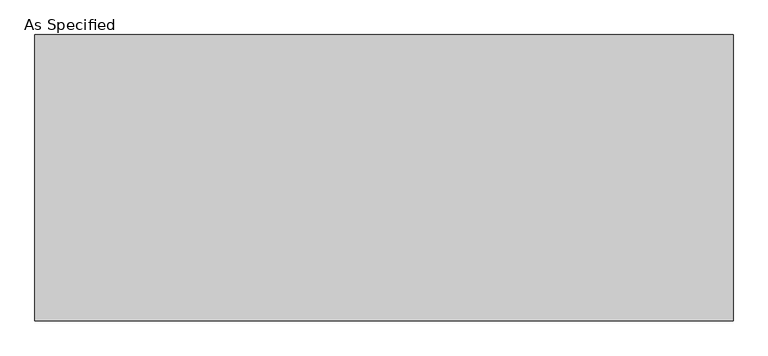
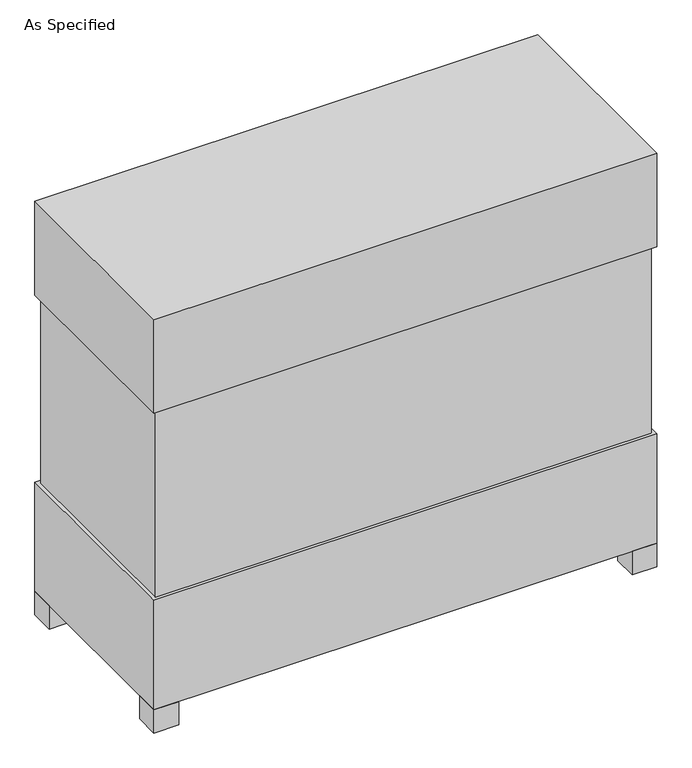
"""IFC4 building model written with IfcOpenShell, lengths in millimetres: proxy geometry, As Specified."""

from ifc_helpers import new_model, si_unit, frame, origin, origin_with_axes, place, context, project, spatial, polyline, outline, extrude, source, transform, mapped, element, save


def as_specified_67a2ca55(model_context):
    return source(origin(), model_context, "Body", "SweptSolid", [
        extrude(outline(polyline([(763.5875, 306.3875), (763.5875, -306.3875), (-763.5875, -306.3875), (-763.5875, 306.3875), (763.5875, 306.3875)])), frame((0.0, 0.0, 431.8), z_axis=(0.0, 0.0, 1.0), x_axis=(1.0, 0.0, 0.0)), (0.0, 0.0, 1.0), 609.6),
        extrude(outline(polyline([(774.7, 317.5), (774.7, -317.5), (-774.7, -317.5), (-774.7, 317.5), (774.7, 317.5)])), frame((0.0, 0.0, 1041.4), z_axis=(0.0, 0.0, 1.0), x_axis=(1.0, 0.0, 0.0)), (0.0, 0.0, 1.0), 304.8),
        extrude(outline(polyline([(660.4, 228.6), (660.4, 152.4), (584.2, 152.4), (584.2, 228.6), (660.4, 228.6)])), frame((0.0, 0.0, 50.8), z_axis=(0.0, 0.0, 1.0), x_axis=(1.0, 0.0, 0.0)), (0.0, 0.0, 1.0), 25.4),
        extrude(outline(polyline([(660.4, -228.6), (584.2, -228.6), (584.2, -152.4), (660.4, -152.4), (660.4, -228.6)])), frame((0.0, 0.0, 50.8), z_axis=(0.0, 0.0, 1.0), x_axis=(1.0, 0.0, 0.0)), (0.0, 0.0, 1.0), 25.4),
        extrude(outline(polyline([(-698.5, 317.5), (-698.5, 241.3), (-774.7, 241.3), (-774.7, 317.5), (-698.5, 317.5)])), origin_with_axes(), (0.0, 0.0, 1.0), 76.2),
        extrude(outline(polyline([(774.7, 317.5), (774.7, 241.3), (698.5, 241.3), (698.5, 317.5), (774.7, 317.5)])), origin_with_axes(), (0.0, 0.0, 1.0), 76.2),
        extrude(outline(polyline([(774.7, -241.3), (774.7, -317.5), (698.5, -317.5), (698.5, -241.3), (774.7, -241.3)])), origin_with_axes(), (0.0, 0.0, 1.0), 76.2),
        extrude(outline(polyline([(-698.5, -241.3), (-698.5, -317.5), (-774.7, -317.5), (-774.7, -241.3), (-698.5, -241.3)])), origin_with_axes(), (0.0, 0.0, 1.0), 76.2),
        extrude(outline(polyline([(774.7, 317.5), (774.7, -317.5), (-774.7, -317.5), (-774.7, 317.5), (774.7, 317.5)])), frame((0.0, 0.0, 76.2), z_axis=(0.0, 0.0, 1.0), x_axis=(1.0, 0.0, 0.0)), (0.0, 0.0, 1.0), 355.6),
    ])


if __name__ == "__main__":
    model = new_model("IFC4")
    model_context = context("Model", 3, world=origin())
    ifc_project = project(units=[si_unit("LENGTHUNIT", "METRE", prefix="MILLI")], contexts=[model_context])
    site = spatial("IfcSite", under=ifc_project)
    building = spatial("IfcBuilding", under=site)
    placement = place(None, origin())
    as_specified_shape = as_specified_67a2ca55(model_context)
    element("IfcBuildingElementProxy", 1, Name="As Specified", ObjectType="As Specified", at=placement, inside=building, context=model_context, shape_type="MappedRepresentation", body=[
        mapped(as_specified_shape, transform((0.0, 0.0, 0.0), x_axis=(1.0, 0.0, 0.0), y_axis=(0.0, 1.0, 0.0), z_axis=(0.0, 0.0, 1.0))),
    ])
    save(model, "model.ifc")
